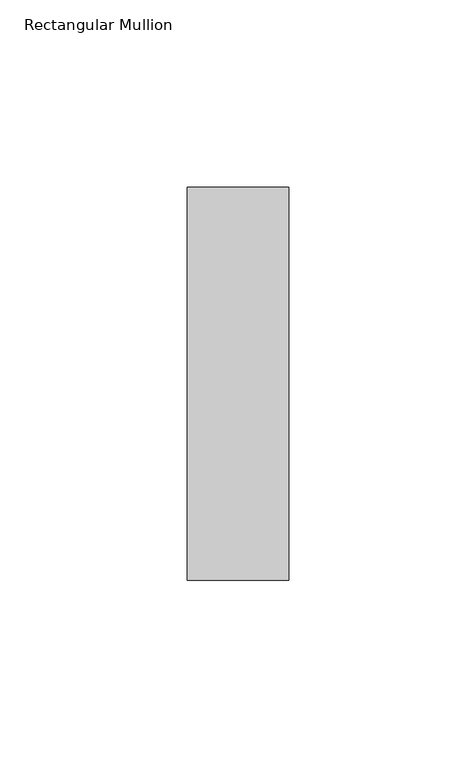
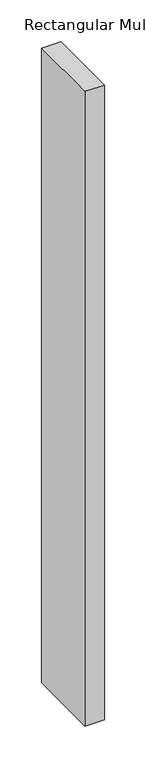
"""IFC4 building model written with IfcOpenShell, lengths in millimetres: member geometry, Rectangular Mullion."""

from ifc_helpers import new_model, si_unit, frame, origin, place, context, project, spatial, polyline, outline, extrude, source, transform, mapped, element, save


def rectangular_mullion_9247ad97(model_context):
    return source(origin(), model_context, "Body", "SweptSolid", [
        extrude(outline(polyline([(-27.0, 52.3975), (0.0, 52.3975), (0.0, -52.3975), (-27.0, -52.3975), (-27.0, 52.3975)])), frame((0.0, 0.0, -930.5), z_axis=(0.0, 0.0, 1.0), x_axis=(1.0, 0.0, 0.0)), (0.0, 0.0, 1.0), 930.5),
    ])


if __name__ == "__main__":
    model = new_model("IFC4")
    model_context = context("Model", 3, world=origin())
    ifc_project = project(units=[si_unit("LENGTHUNIT", "METRE", prefix="MILLI")], contexts=[model_context])
    site = spatial("IfcSite", under=ifc_project)
    building = spatial("IfcBuilding", under=site)
    placement = place(None, origin())
    rectangular_mullion_shape = rectangular_mullion_9247ad97(model_context)
    element("IfcMember", 1, ObjectType="Rectangular Mullion", at=placement, inside=building, context=model_context, shape_type="MappedRepresentation", body=[
        mapped(rectangular_mullion_shape, transform((0.0, 0.0, 0.0), x_axis=(1.0, 0.0, 0.0), y_axis=(0.0, 1.0, 0.0), z_axis=(0.0, 0.0, 1.0))),
    ])
    save(model, "model.ifc")
